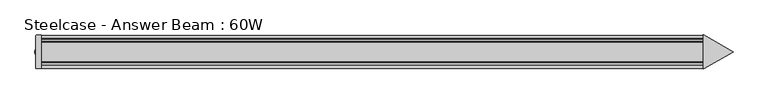
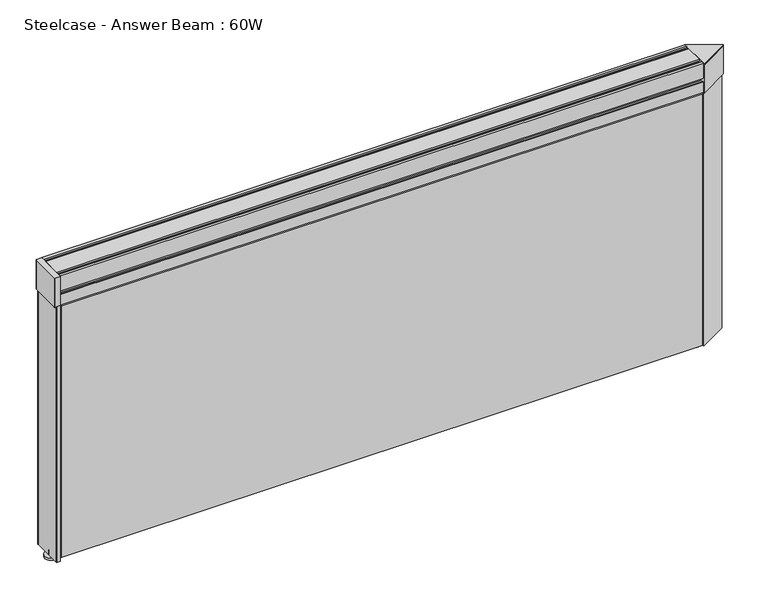
"""IFC4 building model written with IfcOpenShell, lengths in millimetres: furniture geometry, Steelcase - Answer Beam : 60W."""

from ifc_helpers import new_model, si_unit, point, frame, frame_2d, origin, place, context, project, spatial, polyline, circle_curve, trimmed, segment, composite_curve, outline, extrude, faceted_brep, source, transform, mapped, element, save
from ifc_brep_helpers import plane_surface, cylinder_surface, advanced_brep


def steelcase_answer_beam_60w_d3503d3a(model_context):
    return source(origin(), model_context, "Body", "SolidModel", [
        advanced_brep(
        [(1524.0, -3.5559952, 5.0800003), (1524.0, 6.6039952, 5.0800003), (1524.0, 16.7639889, 5.0800003), (1524.0, -13.7159889, 5.0800003), (1524.0, -3.5559952, 15.4686007), (1524.0, 6.6039952, 15.4686007), (1524.0, -13.7159889, 0.0), (1524.0, 16.7639889, 0.0), (1524.0, 1.524, 0.0), (1524.0, 1.524, 15.4686007)],
        [
            (0, 1, circle_curve(frame((1524.0, 1.524, 5.0800003), z_axis=(0.0, 0.0, -1.0), x_axis=(0.0, -1.0000000000000004, 0.0)), 5.0799952)),
            (1, 2),
            (2, 3, circle_curve(frame((1524.0, 1.524, 5.0800003), z_axis=(0.0, 0.0, 1.0), x_axis=(0.0, -1.0000000000000004, 0.0)), 15.2399889)),
            (3, 0),
            (4, 5, circle_curve(frame((1524.0, 1.524, 15.4686007), z_axis=(0.0, 0.0, -1.0), x_axis=(0.0, -1.0000000000000004, 0.0)), 5.0799952)),
            (5, 1),
            (0, 4),
            (6, 7, circle_curve(frame((1524.0, 1.524, 0.0), z_axis=(0.0, 0.0, -1.0), x_axis=(0.0, -1.0000000000000004, 0.0)), 15.2399889)),
            (7, 8),
            (8, 6),
            (2, 3, circle_curve(frame((1524.0, 1.524, 5.0800003), z_axis=(0.0, 0.0, -1.0), x_axis=(0.0, -1.0000000000000004, 0.0)), 15.2399889)),
            (3, 6),
            (6, 7, circle_curve(frame((1524.0, 1.524, 0.0), z_axis=(0.0, 0.0, 1.0), x_axis=(0.0, -1.0000000000000004, 0.0)), 15.2399889)),
            (7, 2),
            (1, 0, circle_curve(frame((1524.0, 1.524, 5.0800003), z_axis=(0.0, 0.0, -1.0), x_axis=(0.0, -1.0000000000000004, 0.0)), 5.0799952)),
            (5, 4, circle_curve(frame((1524.0, 1.524, 15.4686007), z_axis=(0.0, 0.0, -1.0), x_axis=(0.0, -1.0000000000000004, 0.0)), 5.0799952)),
            (9, 4),
            (5, 9),
        ],
        [
            plane_surface(frame((1524.0, 1.524, 5.0800003), z_axis=(0.0, 0.0, 1.0), x_axis=(0.0, -1.0, 0.0))),
            cylinder_surface(frame((1524.0, 1.524, 13.8171881), z_axis=(0.0, 0.0, 1.0), x_axis=(0.0, -1.0000000000000004, 0.0)), 5.0799952),
            plane_surface(frame((1524.0, 1.524, 0.0), z_axis=(0.0, 0.0, -1.0), x_axis=(0.0, -1.0, 0.0))),
            cylinder_surface(frame((1524.0, 1.524, 13.8171881), z_axis=(0.0, 0.0, 1.0), x_axis=(0.0, -1.0000000000000004, 0.0)), 15.2399889),
            plane_surface(frame((1524.0, 1.524, 15.4686007), z_axis=(0.0, 0.0, 1.0), x_axis=(0.0, -1.0, 0.0))),
        ],
        [
            (0, [[1, 2, 3, 4]]),
            (1, [[5, 6, -1, 7]]),
            (2, [[8, 9, 10]]),
            (3, [[11, 12, 13, 14]]),
            (3, [[-3, -14, -8, -12]]),
            (0, [[15, -4, -11, -2]]),
            (2, [[-13, -10, -9]]),
            (1, [[16, -7, -15, -6]]),
            (4, [[17, -16, 18]]),
            (4, [[-18, -5, -17]]),
        ],
    ),
        extrude(outline(polyline([(1524.914384, 37.5745401), (1588.4143764, 0.9128024), (1524.914384, -35.7489529), (1524.914384, 37.5745401)])), frame((0.0, 0.0, 15.4686007), z_axis=(0.0, 0.0, 1.0), x_axis=(1.0, 0.0, 0.0)), (0.0, 0.0, 1.0), 635.6782698),
        extrude(outline(polyline([(1524.0, 41.2239871), (1592.7407135, 1.5365176), (1524.0, -38.1509709), (1524.0, 41.2239871)])), frame((0.0, 0.0, 651.1468705), z_axis=(0.0, 0.0, 1.0), x_axis=(1.0, 0.0, 0.0)), (0.0, 0.0, 1.0), 69.2211623),
        extrude(outline(polyline([(1524.0, 41.2239871), (1592.7407135, 1.5365176), (1524.0, -38.1509709), (1524.0, 41.2239871)])), frame((0.0, 0.0, 721.8691163), z_axis=(0.0, 0.0, 1.0), x_axis=(1.0, 0.0, 0.0)), (0.0, 0.0, 1.0), 2.8073853),
        extrude(outline(composite_curve([segment(polyline([(0.0, -37.0205422), (-7.8693814, -37.0205422)]), True, "CONTINUOUS"), segment(trimmed(circle_curve(frame_2d((-7.8693814, -35.719506)), 1.3010361), [point((-7.8693814, -37.0205422))], [point((-9.1704175, -35.719506))], False, "CARTESIAN"), True, "CONTINUOUS"), segment(polyline([(-9.1704175, -35.719506), (-9.1704175, 38.6714634)]), True, "CONTINUOUS"), segment(trimmed(circle_curve(frame_2d((-7.9004175, 38.6714634)), 1.27), [point((-9.1704175, 38.6714634))], [point((-7.9004175, 39.9414634))], False, "CARTESIAN"), True, "CONTINUOUS"), segment(polyline([(-7.9004175, 39.9414634), (0.0, 39.9414634), (0.0, -37.0205422)]), True, "CONTINUOUS")], self_intersect=False)), frame((0.0, 0.0, 10.6172003), z_axis=(0.0, 0.0, 1.0), x_axis=(1.0, 0.0, 0.0)), (0.0, 0.0, 1.0), 640.5296701),
        extrude(outline(composite_curve([segment(polyline([(0.0, -37.0205422), (-12.0743096, -37.0205422)]), True, "CONTINUOUS"), segment(trimmed(circle_curve(frame_2d((-12.0743096, -35.719506)), 1.3010361), [point((-12.0743096, -37.0205422))], [point((-13.3753458, -35.719506))], False, "CARTESIAN"), True, "CONTINUOUS"), segment(polyline([(-13.3753458, -35.719506), (-13.3753458, 38.6714634)]), True, "CONTINUOUS"), segment(trimmed(circle_curve(frame_2d((-12.1053458, 38.6714634)), 1.27), [point((-13.3753458, 38.6714634))], [point((-12.1053458, 39.9414634))], False, "CARTESIAN"), True, "CONTINUOUS"), segment(polyline([(-12.1053458, 39.9414634), (0.0, 39.9414634), (0.0, -37.0205422)]), True, "CONTINUOUS")], self_intersect=False)), frame((0.0, 0.0, 651.1468705), z_axis=(0.0, 0.0, 1.0), x_axis=(1.0, 0.0, 0.0)), (0.0, 0.0, 1.0), 73.5296311),
        advanced_brep(
        [(0.0, 16.7639889, 0.0), (0.0, -13.7159889, 0.0), (0.0, 1.524, 0.0), (0.0, -13.7159889, 5.0800003), (0.0, 16.7639889, 5.0800003), (0.0, -3.5559952, 5.0800003), (0.0, 6.6039952, 5.0800003), (0.0, 6.6039952, 15.4686007), (0.0, -3.5559952, 15.4686007), (0.0, 1.524, 15.4686007)],
        [
            (0, 1, circle_curve(frame((0.0, 1.524, 0.0), z_axis=(0.0, 0.0, -1.0), x_axis=(0.0, 1.0, 0.0)), 15.2399889)),
            (1, 2),
            (2, 0),
            (3, 4, circle_curve(frame((0.0, 1.524, 5.0800003), z_axis=(0.0, 0.0, -1.0), x_axis=(0.0, 1.0, 0.0)), 15.2399889)),
            (4, 0),
            (0, 1, circle_curve(frame((0.0, 1.524, 0.0), z_axis=(0.0, 0.0, 1.0), x_axis=(0.0, 1.0, 0.0)), 15.2399889)),
            (1, 3),
            (5, 6, circle_curve(frame((0.0, 1.524, 5.0800003), z_axis=(0.0, 0.0, -1.0), x_axis=(0.0, 1.0, 0.0)), 5.0799952)),
            (6, 4),
            (3, 5),
            (6, 5, circle_curve(frame((0.0, 1.524, 5.0800003), z_axis=(0.0, 0.0, -1.0), x_axis=(0.0, 1.0, 0.0)), 5.0799952)),
            (3, 4, circle_curve(frame((0.0, 1.524, 5.0800003), z_axis=(0.0, 0.0, 1.0), x_axis=(0.0, 1.0, 0.0)), 15.2399889)),
            (7, 8, circle_curve(frame((0.0, 1.524, 15.4686007), z_axis=(0.0, 0.0, -1.0), x_axis=(0.0, 1.0, 0.0)), 5.0799952)),
            (8, 5),
            (6, 7),
            (9, 7),
            (7, 8, circle_curve(frame((0.0, 1.524, 15.4686007), z_axis=(0.0, 0.0, 1.0), x_axis=(0.0, 1.0, 0.0)), 5.0799952)),
            (8, 9),
        ],
        [
            plane_surface(frame((0.0, 1.524, 0.0), z_axis=(0.0, 0.0, -1.0), x_axis=(0.0, 1.0, 0.0))),
            cylinder_surface(frame((0.0, 1.524, 13.8171881), z_axis=(0.0, 0.0, 1.0), x_axis=(0.0, 1.0, 0.0)), 15.2399889),
            plane_surface(frame((0.0, 1.524, 5.0800003), z_axis=(0.0, 0.0, 1.0), x_axis=(0.0, 1.0, 0.0))),
            cylinder_surface(frame((0.0, 1.524, 13.8171881), z_axis=(0.0, 0.0, 1.0), x_axis=(0.0, 1.0, 0.0)), 5.0799952),
            plane_surface(frame((0.0, 1.524, 15.4686007), z_axis=(0.0, 0.0, 1.0), x_axis=(0.0, 1.0, 0.0))),
        ],
        [
            (0, [[1, 2, 3]]),
            (1, [[4, 5, 6, 7]]),
            (2, [[8, 9, -4, 10]]),
            (2, [[11, -10, 12, -9]]),
            (3, [[13, 14, -11, 15]]),
            (4, [[16, 17, 18]]),
            (0, [[-6, -3, -2]]),
            (1, [[-12, -7, -1, -5]]),
            (3, [[-17, -15, -8, -14]]),
            (4, [[-18, -13, -16]]),
        ],
    ),
        faceted_brep([(1524.0, 34.8615783, 652.41333), (0.0, 34.8615783, 652.41333), (0.0, 34.8615783, 15.4686007), (1524.0, 34.8615783, 15.4686007), (1520.19, 39.6240691, 648.60333), (1520.19, 39.6240691, 19.2786007), (3.8480867, 39.6240691, 19.2786007), (3.8480867, 39.6240691, 648.60333)], [[[0, 1, 2, 3]], [[4, 5, 6, 7]], [[4, 7, 1, 0]], [[7, 6, 2, 1]], [[6, 5, 3, 2]], [[5, 4, 0, 3]]]),
        faceted_brep([(1524.0, -31.8135783, 652.41333), (1524.0, -31.8135783, 15.4686007), (0.0, -31.8135783, 15.4686007), (0.0, -31.8135783, 652.41333), (1520.19, -36.5760691, 648.60333), (3.8480867, -36.5760691, 648.60333), (3.8480867, -36.5760691, 19.2786007), (1520.19, -36.5760691, 19.2786007)], [[[0, 1, 2, 3]], [[4, 5, 6, 7]], [[5, 4, 0, 3]], [[6, 5, 3, 2]], [[7, 6, 2, 1]], [[4, 7, 1, 0]]]),
        extrude(outline(polyline([(-20.5021911, 724.6765015), (23.5501911, 724.6765015), (23.5501911, 720.866487), (19.9941888, 720.866487), (19.9941888, 717.2031205), (24.539536, 714.5788631), (25.727386, 714.5788631), (25.727386, 712.2204304), (31.4901929, 712.2204304), (37.0364693, 717.0417349), (37.0364693, 720.866487), (33.3290087, 720.866487), (33.3290087, 724.6765015), (39.6790087, 724.6765015), (39.6790087, 687.0860949), (37.0364693, 687.0860949), (37.0364693, 690.6024312), (29.4441877, 690.3485097), (29.4441877, 675.6167666), (37.6735741, 675.6167666), (37.6735741, 678.7024545), (39.6790087, 678.7024545), (39.6790087, 652.41333), (32.2819003, 652.41333), (29.940357, 653.0407446), (29.940357, 656.1974246), (27.4921546, 658.645627), (27.4921546, 661.4388676), (31.7641792, 658.9724131), (31.7641792, 654.9535408), (35.8741803, 654.9535408), (35.8741803, 669.4233437), (33.415002, 671.882522), (27.4921546, 671.882522), (27.4921546, 694.4124694), (33.8421546, 694.4124694), (35.8741803, 696.4444951), (35.8741803, 706.4215572), (34.0289451, 708.2667924), (29.8412424, 708.2667924), (25.727386, 704.1529359), (-22.679386, 704.1529359), (-26.7932424, 708.2667924), (-30.9809451, 708.2667924), (-32.8261803, 706.4215572), (-32.8261803, 696.4444951), (-30.7941546, 694.4124694), (-24.4441546, 694.4124694), (-24.4441546, 671.882522), (-30.367002, 671.882522), (-32.8261803, 669.4233437), (-32.8261803, 654.9535408), (-28.7161792, 654.9535408), (-28.7161792, 658.9724131), (-24.4441546, 661.4388676), (-24.4441546, 658.645627), (-26.892357, 656.1974246), (-26.892357, 653.0407446), (-29.2339003, 652.41333), (-36.6310087, 652.41333), (-36.6310087, 678.7024545), (-34.6255741, 678.7024545), (-34.6255741, 675.6167666), (-26.3961877, 675.6167666), (-26.3961877, 690.3485097), (-33.9884693, 690.6024312), (-33.9884693, 687.0860949), (-36.6310087, 687.0860949), (-36.6310087, 724.6765015), (-30.2810087, 724.6765015), (-30.2810087, 720.866487), (-33.9884693, 720.866487), (-33.9884693, 717.0417349), (-28.4421929, 712.2204304), (-22.679386, 712.2204304), (-22.679386, 714.5788631), (-21.491536, 714.5788631), (-16.9461888, 717.2031205), (-16.9461888, 720.866487), (-20.5021911, 720.866487), (-20.5021911, 724.6765015)])), frame((0.0, 0.0, 0.0), z_axis=(1.0, 0.0, 0.0), x_axis=(0.0, 1.0, 0.0)), (0.0, 0.0, 1.0), 1524.0),
    ])


if __name__ == "__main__":
    model = new_model("IFC4")
    model_context = context("Model", 3, world=origin())
    ifc_project = project(units=[si_unit("LENGTHUNIT", "METRE", prefix="MILLI")], contexts=[model_context])
    site = spatial("IfcSite", under=ifc_project)
    building = spatial("IfcBuilding", under=site)
    placement = place(None, origin())
    steelcase_answer_beam_60w_shape = steelcase_answer_beam_60w_d3503d3a(model_context)
    element("IfcFurniture", 1, ObjectType="Steelcase - Answer Beam : 60W", at=placement, inside=building, context=model_context, shape_type="MappedRepresentation", body=[
        mapped(steelcase_answer_beam_60w_shape, transform((0.0, 0.0, 0.0), x_axis=(1.0, 0.0, 0.0), y_axis=(0.0, 1.0, 0.0), z_axis=(0.0, 0.0, 1.0))),
    ])
    save(model, "model.ifc")
